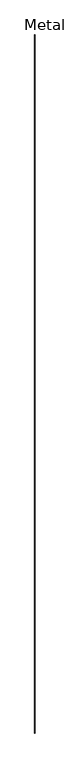
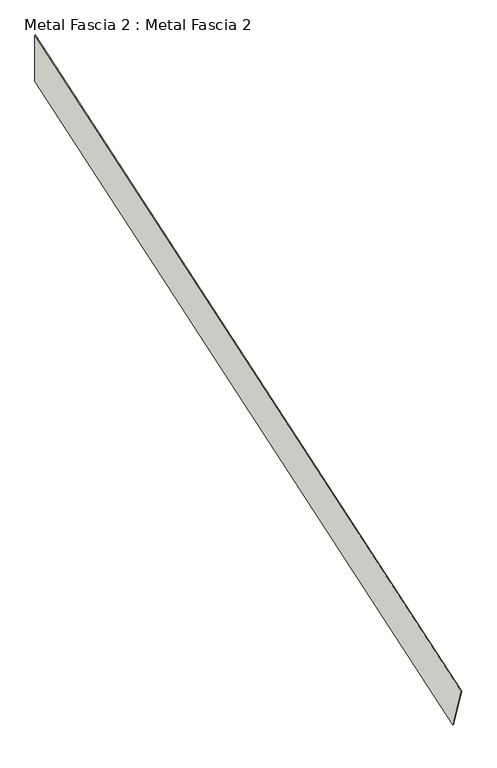
"""IFC4 building model written with IfcOpenShell, lengths in millimetres: wall geometry, Metal Fascia 2 : Metal Fascia 2."""

from ifc_helpers import new_model, si_unit, frame, origin, place, context, project, spatial, polyline, outline, extrude, source, transform, mapped, element, save


def metal_fascia_2_metal_fascia_2_9cf6e89b(model_context):
    return source(origin(), model_context, "Body", "SweptSolid", [
        extrude(outline(polyline([(156677.8431696, 4339.365509), (156677.8431696, 4156.9679687), (153987.856397, 3260.3057112), (153933.1371349, 3424.4634974), (156677.8431696, 4339.365509)])), frame((227826.0728488, 0.0, 0.0), z_axis=(1.0, 0.0, 0.0), x_axis=(0.0, 1.0, 0.0)), (0.0, 0.0, 1.0), 1.5875),
    ])


if __name__ == "__main__":
    model = new_model("IFC4")
    model_context = context("Model", 3, world=origin())
    ifc_project = project(units=[si_unit("LENGTHUNIT", "METRE", prefix="MILLI")], contexts=[model_context])
    site = spatial("IfcSite", under=ifc_project)
    building = spatial("IfcBuilding", under=site)
    placement = place(None, origin())
    metal_fascia_2_metal_fascia_2_shape = metal_fascia_2_metal_fascia_2_9cf6e89b(model_context)
    element("IfcWall", 1, ObjectType="Metal Fascia 2 : Metal Fascia 2", at=placement, inside=building, context=model_context, shape_type="MappedRepresentation", body=[
        mapped(metal_fascia_2_metal_fascia_2_shape, transform((0.0, 0.0, 0.0), x_axis=(1.0, 0.0, 0.0), y_axis=(0.0, 1.0, 0.0), z_axis=(0.0, 0.0, 1.0))),
    ])
    save(model, "model.ifc")
